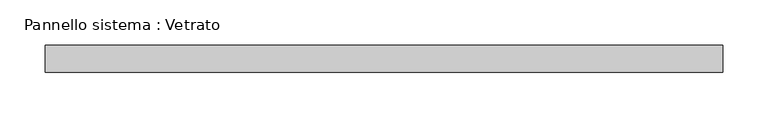
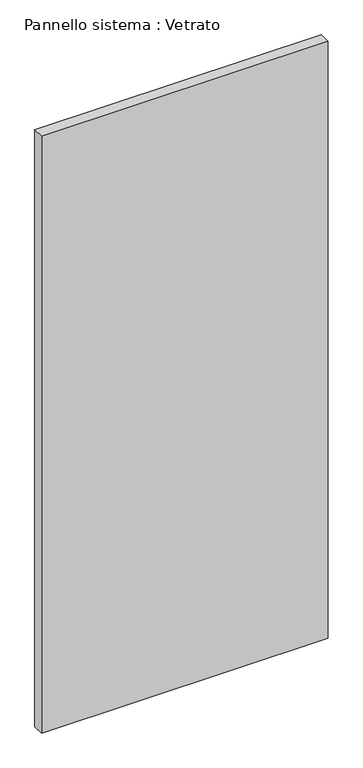
"""IFC4 building model written with IfcOpenShell, lengths in millimetres: plate geometry, Pannello sistema : Vetrato."""

from ifc_helpers import new_model, si_unit, origin, origin_with_axes, place, context, project, spatial, polyline, outline, extrude, source, transform, mapped, element, save


def pannello_sistema_vetrato_9a9b1884(model_context):
    return source(origin(), model_context, "Body", "SweptSolid", [
        extrude(outline(polyline([(375.0000459, -15.0), (-375.0000459, -15.0), (-375.0000459, 15.0), (375.0000459, 15.0), (375.0000459, -15.0)])), origin_with_axes(), (0.0, 0.0, 1.0), 1650.0),
    ])


if __name__ == "__main__":
    model = new_model("IFC4")
    model_context = context("Model", 3, world=origin())
    ifc_project = project(units=[si_unit("LENGTHUNIT", "METRE", prefix="MILLI")], contexts=[model_context])
    site = spatial("IfcSite", under=ifc_project)
    building = spatial("IfcBuilding", under=site)
    placement = place(None, origin())
    pannello_sistema_vetrato_shape = pannello_sistema_vetrato_9a9b1884(model_context)
    element("IfcPlate", 1, ObjectType="Pannello sistema : Vetrato", at=placement, inside=building, context=model_context, shape_type="MappedRepresentation", body=[
        mapped(pannello_sistema_vetrato_shape, transform((0.0, 0.0, 0.0), x_axis=(1.0, 0.0, 0.0), y_axis=(0.0, 1.0, 0.0), z_axis=(0.0, 0.0, 1.0))),
    ])
    save(model, "model.ifc")
